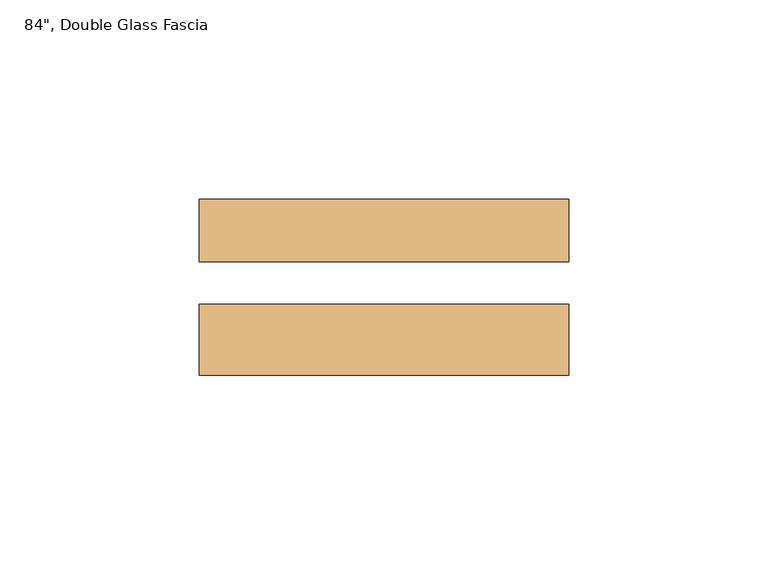
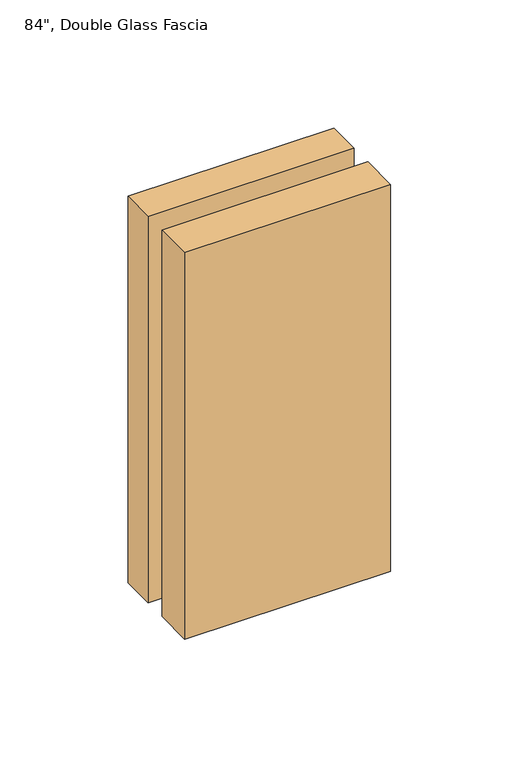
"""IFC4 building model written with IfcOpenShell, lengths in millimetres: door geometry."""

from ifc_helpers import new_model, si_unit, frame, origin, place, context, project, spatial, polyline, outline, extrude, source, transform, mapped, element, save


def door_1e6ff23b(model_context):
    return source(origin(), model_context, "Body", "SweptSolid", [
        extrude(outline(polyline([(361.2769573, -31.7786201), (453.9869573, -31.7786201), (453.9869573, -49.6221201), (361.2769573, -49.6221201), (361.2769573, -31.7786201)])), frame((0.0, 0.0, 954.2742972), z_axis=(0.0, 0.0, 1.0), x_axis=(1.0, 0.0, 0.0)), (0.0, 0.0, 1.0), 184.15),
        extrude(outline(polyline([(361.2769573, -5.4515201), (453.9869573, -5.4515201), (453.9869573, -21.1741201), (361.2769573, -21.1741201), (361.2769573, -5.4515201)])), frame((0.0, 0.0, 954.2742972), z_axis=(0.0, 0.0, 1.0), x_axis=(1.0, 0.0, 0.0)), (0.0, 0.0, 1.0), 184.15),
    ])


if __name__ == "__main__":
    model = new_model("IFC4")
    model_context = context("Model", 3, world=origin())
    ifc_project = project(units=[si_unit("LENGTHUNIT", "METRE", prefix="MILLI")], contexts=[model_context])
    site = spatial("IfcSite", under=ifc_project)
    building = spatial("IfcBuilding", under=site)
    placement = place(None, origin())
    door_shape = door_1e6ff23b(model_context)
    element("IfcDoor", 1, ObjectType="84\", Double Glass Fascia", at=placement, inside=building, context=model_context, shape_type="MappedRepresentation", body=[
        mapped(door_shape, transform((0.0, 0.0, 0.0), x_axis=(1.0, 0.0, 0.0), y_axis=(0.0, 1.0, 0.0), z_axis=(0.0, 0.0, 1.0))),
    ])
    save(model, "model.ifc")
